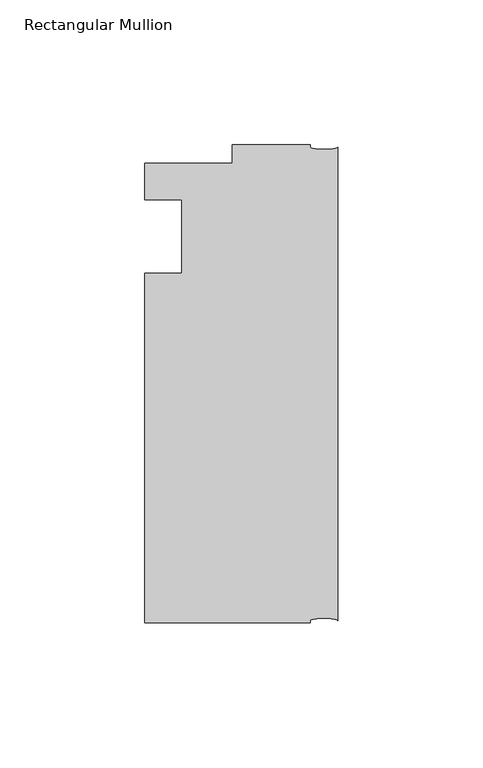
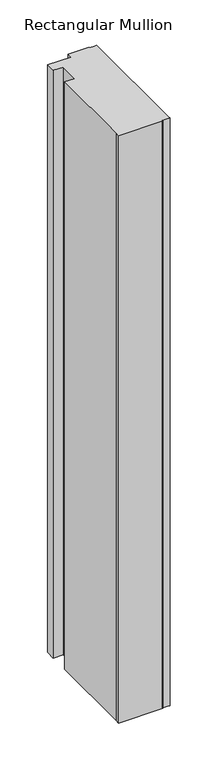
"""IFC4 building model written with IfcOpenShell, lengths in millimetres: member geometry, Rectangular Mullion."""

from ifc_helpers import new_model, si_unit, point, frame, origin, place, context, project, spatial, ellipse_curve, trimmed, source, transform, mapped, element, save
from ifc_brep_helpers import plane_surface, extruded_surface, advanced_brep


def rectangular_mullion_5d81f12f(model_context):
    return source(origin(), model_context, "Body", "AdvancedBrep", [
        advanced_brep(
        [(-66.675, -146.05, 0.0), (-9.525, -146.05, 0.0), (-9.525, -145.25625, 0.0), (0.0, -145.25625, 0.0), (0.0, 18.25625, 0.0), (-9.525, 18.25625, 0.0), (-9.525, 19.05, 0.0), (-36.5125, 19.05, 0.0), (-36.5125, 12.7, 0.0), (-66.675, 12.7, 0.0), (-66.675, 0.0, 0.0), (-53.9732296, 0.0, 0.0), (-53.9732296, -25.4, 0.0), (-66.675, -25.4, 0.0), (-66.675, -139.7, 0.0), (-66.675, -146.05, -800.1), (-66.675, -139.7, -800.1), (-66.675, -25.4, -800.1), (-53.9732296, -25.4, -800.1), (-53.9732296, 0.0, -800.1), (-66.675, 0.0, -800.1), (-66.675, 12.7, -800.1), (-36.5125, 12.7, -800.1), (-36.5125, 19.05, -800.1), (-9.525, 19.05, -800.1), (-9.525, 18.25625, -800.1), (0.0, 18.25625, -800.1), (0.0, -145.25625, -800.1), (-9.525, -145.25625, -800.1), (-9.525, -146.05, -800.1)],
        [
            (0, 1),
            (1, 2),
            (2, 3, ellipse_curve(frame((-4.7625, -145.25625, 0.0), z_axis=(0.0, 0.0, -1.0), x_axis=(-1.0, 0.0, 0.0)), 4.7625, 0.79375)),
            (3, 4),
            (4, 5, ellipse_curve(frame((-4.7625, 18.25625, 0.0), z_axis=(0.0, 0.0, -1.0), x_axis=(-1.0, 0.0, 0.0)), 4.7625, 0.79375)),
            (5, 6),
            (6, 7),
            (7, 8),
            (8, 9),
            (9, 10),
            (10, 11),
            (11, 12),
            (12, 13),
            (13, 14),
            (14, 0),
            (15, 16),
            (16, 17),
            (17, 18),
            (18, 19),
            (19, 20),
            (20, 21),
            (21, 22),
            (22, 23),
            (23, 24),
            (24, 25),
            (25, 26, ellipse_curve(frame((-4.7625, 18.25625, -800.1), z_axis=(0.0, 0.0, 1.0), x_axis=(-1.0, 0.0, 0.0)), 4.7625, 0.79375)),
            (26, 27),
            (27, 28, ellipse_curve(frame((-4.7625, -145.25625, -800.1), z_axis=(0.0, 0.0, 1.0), x_axis=(-1.0, 0.0, 0.0)), 4.7625, 0.79375)),
            (28, 29),
            (29, 15),
            (0, 15),
            (29, 1),
            (28, 2),
            (27, 3),
            (26, 4),
            (25, 5),
            (24, 6),
            (23, 7),
            (9, 21),
            (20, 10),
            (19, 11),
            (18, 12),
            (17, 13),
            (16, 14),
            (22, 8),
        ],
        [
            plane_surface(frame((0.0, -160.5495504, 0.0), z_axis=(0.0, 0.0, 1.0), x_axis=(-1.0, 0.0, 0.0))),
            plane_surface(frame((0.0, -160.5495504, -800.1), z_axis=(0.0, 0.0, -1.0), x_axis=(-1.0, 0.0, 0.0))),
            plane_surface(frame((-66.675, -146.05, 0.0), z_axis=(0.0, -1.0, 0.0), x_axis=(0.0, 0.0, -1.0))),
            plane_surface(frame((-9.525, -146.05, 0.0), z_axis=(1.0, 0.0, 0.0), x_axis=(0.0, 0.0, -1.0))),
            extruded_surface(trimmed(ellipse_curve(frame((-4.7625, -145.25625, -800.1), z_axis=(0.0, 0.0, -1.0), x_axis=(-1.0, 0.0, 0.0)), 4.7625, 0.79375), [point((-9.525, -145.25625, -800.1))], [point((0.0, -145.25625, -800.1))], True, "CARTESIAN"), (0.0, 0.0, 800.1), 800.1),
            plane_surface(frame((0.0, -145.25625, 0.0), z_axis=(1.0, 0.0, 0.0), x_axis=(0.0, 0.0, -1.0))),
            extruded_surface(trimmed(ellipse_curve(frame((-4.7625, 18.25625, -800.1), z_axis=(0.0, 0.0, -1.0), x_axis=(-1.0, 0.0, 0.0)), 4.7625, 0.79375), [point((0.0, 18.25625, -800.1))], [point((-9.525, 18.25625, -800.1))], True, "CARTESIAN"), (0.0, 0.0, 800.1), 800.1),
            plane_surface(frame((-9.525, 18.25625, 0.0), z_axis=(1.0, 0.0, 0.0), x_axis=(0.0, 0.0, -1.0))),
            plane_surface(frame((-9.525, 19.05, 0.0), z_axis=(0.0, 1.0, 0.0), x_axis=(0.0, 0.0, -1.0))),
            plane_surface(frame((-66.675, 12.7, 0.0), z_axis=(-1.0, 0.0, 0.0), x_axis=(0.0, 0.0, -1.0))),
            plane_surface(frame((-66.675, 0.0, 0.0), z_axis=(0.0, -1.0, 0.0), x_axis=(0.0, 0.0, -1.0))),
            plane_surface(frame((-53.9732296, 0.0, 0.0), z_axis=(-1.0, 0.0, 0.0), x_axis=(0.0, 0.0, -1.0))),
            plane_surface(frame((-53.9732296, -25.4, 0.0), z_axis=(0.0, 1.0, 0.0), x_axis=(0.0, 0.0, -1.0))),
            plane_surface(frame((-66.675, -25.4, 0.0), z_axis=(-1.0, 0.0, 0.0), x_axis=(0.0, 0.0, -1.0))),
            plane_surface(frame((-66.675, -139.7, 0.0), z_axis=(-1.0, 0.0, 0.0), x_axis=(0.0, 0.0, -1.0))),
            plane_surface(frame((-36.5125, 19.05, 0.0), z_axis=(-1.0, 0.0, 0.0), x_axis=(0.0, 0.0, -1.0))),
            plane_surface(frame((-36.5125, 12.7, 0.0), z_axis=(0.0, 1.0, 0.0), x_axis=(0.0, 0.0, -1.0))),
        ],
        [
            (0, [[1, 2, 3, 4, 5, 6, 7, 8, 9, 10, 11, 12, 13, 14, 15]]),
            (1, [[16, 17, 18, 19, 20, 21, 22, 23, 24, 25, 26, 27, 28, 29, 30]]),
            (2, [[-1, 31, -30, 32]]),
            (3, [[-2, -32, -29, 33]]),
            (4, [[-3, -33, -28, 34]]),
            (5, [[-4, -34, -27, 35]]),
            (6, [[-5, -35, -26, 36]]),
            (7, [[-6, -36, -25, 37]]),
            (8, [[-7, -37, -24, 38]]),
            (9, [[-10, 39, -21, 40]]),
            (10, [[-11, -40, -20, 41]]),
            (11, [[-12, -41, -19, 42]]),
            (12, [[-13, -42, -18, 43]]),
            (13, [[-14, -43, -17, 44]]),
            (14, [[-15, -44, -16, -31]]),
            (15, [[-8, -38, -23, 45]]),
            (16, [[-9, -45, -22, -39]]),
        ],
    ),
    ])


if __name__ == "__main__":
    model = new_model("IFC4")
    model_context = context("Model", 3, world=origin())
    ifc_project = project(units=[si_unit("LENGTHUNIT", "METRE", prefix="MILLI")], contexts=[model_context])
    site = spatial("IfcSite", under=ifc_project)
    building = spatial("IfcBuilding", under=site)
    placement = place(None, origin())
    rectangular_mullion_shape = rectangular_mullion_5d81f12f(model_context)
    element("IfcMember", 1, ObjectType="Rectangular Mullion", at=placement, inside=building, context=model_context, shape_type="MappedRepresentation", body=[
        mapped(rectangular_mullion_shape, transform((0.0, 0.0, 0.0), x_axis=(1.0, 0.0, 0.0), y_axis=(0.0, 1.0, 0.0), z_axis=(0.0, 0.0, 1.0))),
    ])
    save(model, "model.ifc")
